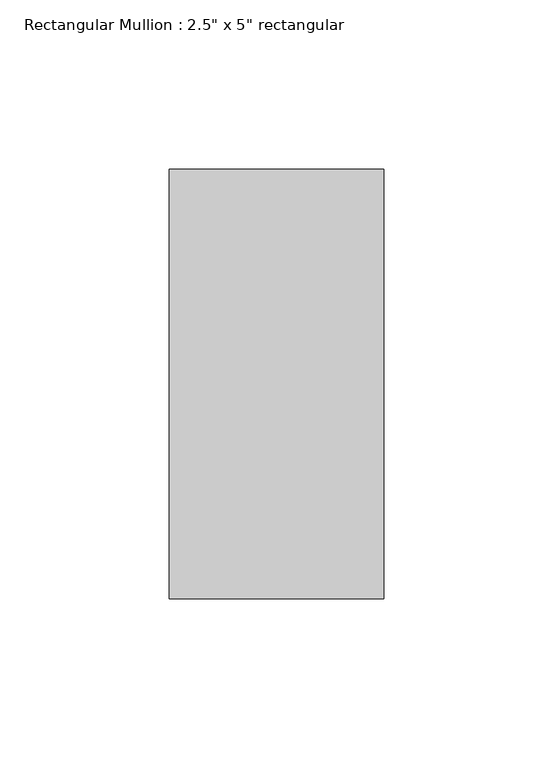
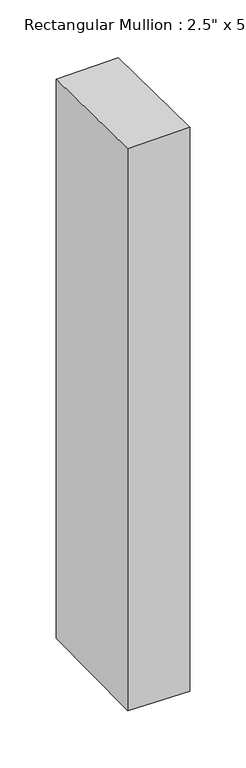
"""IFC4 building model written with IfcOpenShell, lengths in millimetres: member geometry."""

from ifc_helpers import new_model, si_unit, origin, place, context, project, spatial, faceted_brep, source, transform, mapped, element, save


def member_cb7844d7(model_context):
    return source(origin(), model_context, "Body", "Brep", [
        faceted_brep([(-63.5, 63.5, -1.7524034), (0.0, 63.5, -0.7541329), (0.0, 63.5, -609.4210362), (-63.5, 63.5, -608.463697), (-63.5, -63.5, -0.2441376), (-63.5, -63.5, -609.9760424), (0.0, -63.5, 0.7541329), (0.0, -63.5, -610.9333816)], [[[0, 1, 2, 3]], [[4, 0, 3, 5]], [[6, 4, 5, 7]], [[1, 6, 7, 2]], [[1, 0, 4, 6]], [[2, 7, 5, 3]]]),
    ])


if __name__ == "__main__":
    model = new_model("IFC4")
    model_context = context("Model", 3, world=origin())
    ifc_project = project(units=[si_unit("LENGTHUNIT", "METRE", prefix="MILLI")], contexts=[model_context])
    site = spatial("IfcSite", under=ifc_project)
    building = spatial("IfcBuilding", under=site)
    placement = place(None, origin())
    member_shape = member_cb7844d7(model_context)
    element("IfcMember", 1, ObjectType="Rectangular Mullion : 2.5\" x 5\" rectangular", at=placement, inside=building, context=model_context, shape_type="MappedRepresentation", body=[
        mapped(member_shape, transform((0.0, 0.0, 0.0), x_axis=(1.0, 0.0, 0.0), y_axis=(0.0, 1.0, 0.0), z_axis=(0.0, 0.0, 1.0))),
    ])
    save(model, "model.ifc")
